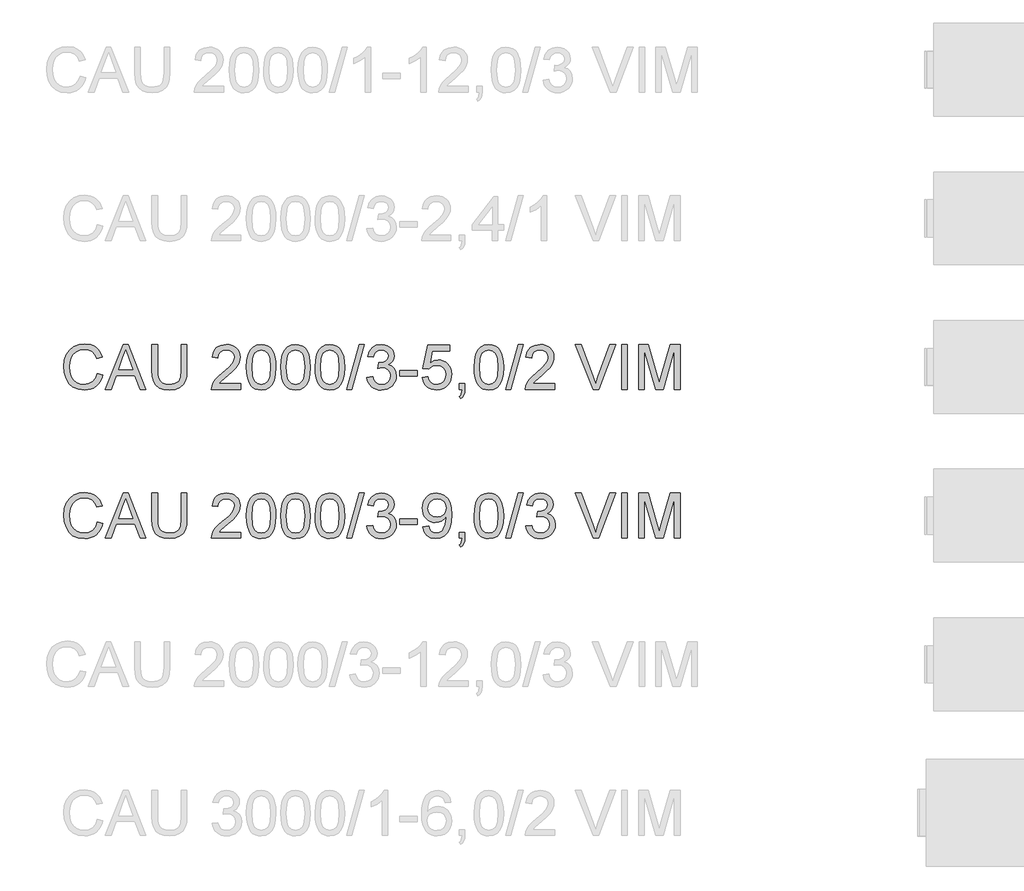
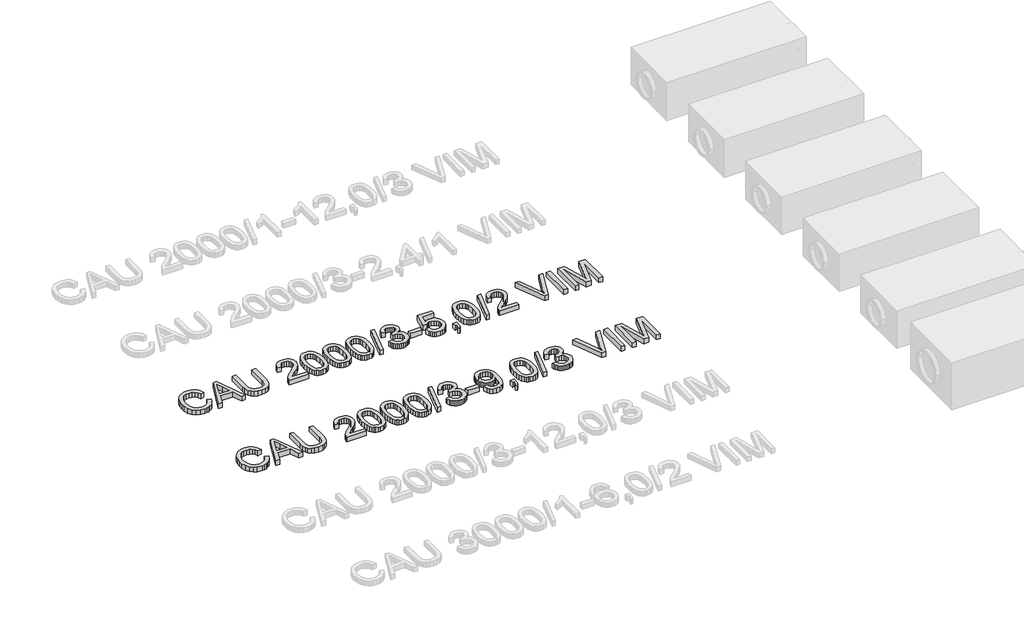
# One storey, part 58 of 74: 2 proxies.
"""IFC4 building model written with IfcOpenShell, lengths in millimetres."""

from ifc_helpers import new_model, si_unit, origin, origin_with_axes, place, context, project, spatial, polyline, outline, extrude, element, save

model = new_model("IFC4")

# Units and contexts
model_context = context("Model", 3, world=origin())
ifc_project = project(units=[si_unit("LENGTHUNIT", "METRE", prefix="MILLI")], contexts=[model_context])

# Site, building, storey
site = spatial("IfcSite", under=ifc_project)
building = spatial("IfcBuilding", under=site)
storey = spatial("IfcBuildingStorey", under=building, Elevation=0.0)

# Proxies
placement = place(None, origin())
element("IfcBuildingElementProxy", 1, Name="Generic Models", at=placement, inside=storey, context=model_context, shape_type="SweptSolid", body=[
    extrude(outline(polyline([(34655.0606318, -8799.1632103), (34692.7317481, -8808.875295), (34685.2775392, -8832.3024803), (34675.3493239, -8852.7728141), (34662.9471021, -8870.2862963), (34648.0708739, -8884.842927), (34631.0563316, -8896.2863563), (34612.2391676, -8904.4602344), (34591.6193818, -8909.3645613), (34569.1969742, -8910.9993369), (34525.5017902, -8906.051324), (34490.801321, -8891.2072855), (34464.2034527, -8866.9822562), (34444.8160716, -8833.8912707), (34432.9794684, -8794.9877497), (34429.033934, -8753.3251137), (34433.4945032, -8709.3816094), (34446.8762108, -8671.4345816), (34468.4800809, -8640.6888439), (34497.6071379, -8618.3492097), (34532.1512572, -8604.7467729), (34570.0063145, -8600.2126274), (34611.3102656, -8606.0803452), (34629.2790018, -8613.4149925), (34645.4589118, -8623.6834986), (34659.5832811, -8636.6145508), (34671.3853954, -8651.9368359), (34688.0228586, -8689.755105), (34650.3517423, -8698.7314257), (34637.2919315, -8671.2598377), (34619.4496547, -8652.4150825), (34596.6041828, -8641.5165784), (34568.5347866, -8637.8837437), (34536.1795651, -8641.9120515), (34509.6000909, -8653.996975), (34489.4309606, -8672.8693214), (34476.3067704, -8697.2598977), (34469.1054803, -8724.8326532), (34466.7050503, -8753.2515373), (34469.5469387, -8788.0531741), (34478.072604, -8818.1459213), (34492.6039428, -8842.3801477), (34513.4628519, -8859.6062222), (34538.4696305, -8869.897721), (34565.4445778, -8873.3282206), (34596.8892913, -8868.6561192), (34623.0916864, -8854.6398152), (34642.8745407, -8831.4264613), (34655.0606318, -8799.1632103)])), origin_with_axes(), (0.0, 0.0, 1.0), 50.0),
    extrude(outline(polyline([(34709.4335907, -8906.2904473), (34829.7310031, -8604.9215169), (34861.8103131, -8604.9215169), (34982.1077255, -8906.2904473), (34942.3028937, -8906.2904473), (34907.7955625, -8812.1126566), (34783.6721773, -8812.1126566), (34749.2384226, -8906.2904473), (34709.4335907, -8906.2904473)]), holes=[polyline([(34797.5045404, -8774.4415403), (34894.0367759, -8774.4415403), (34866.8870847, -8700.3501064), (34845.7706581, -8642.5926332), (34827.0086764, -8693.8753833), (34797.5045404, -8774.4415403)])]), origin_with_axes(), (0.0, 0.0, 1.0), 50.0),
    extrude(outline(polyline([(35220.1273764, -8604.9215169), (35257.7984927, -8604.9215169), (35257.7984927, -8778.7825478), (35255.2417129, -8819.4978876), (35247.5713733, -8850.8506307), (35233.2423696, -8875.0388719), (35210.7095973, -8894.2607061), (35179.9178743, -8906.8146792), (35140.8120183, -8910.9993369), (35102.5614878, -8907.3573051), (35071.981297, -8896.4312099), (35049.0622487, -8878.5981302), (35033.7951459, -8854.235145), (35025.2142983, -8821.5580268), (35022.3540158, -8778.7825478), (35022.3540158, -8604.9215169), (35060.0251321, -8604.9215169), (35060.0251321, -8777.4581726), (35061.8829362, -8811.3125132), (35067.4563484, -8834.8845521), (35077.5547092, -8851.2093156), (35092.9873589, -8863.3218303), (35113.110504, -8870.826623), (35137.2803511, -8873.3282206), (35175.5952609, -8868.3802077), (35189.9380602, -8862.1951917), (35201.0710891, -8853.5361692), (35209.4082148, -8841.3592752), (35215.3633046, -8824.6206444), (35220.1273764, -8777.4581726), (35220.1273764, -8604.9215169)])), origin_with_axes(), (0.0, 0.0, 1.0), 50.0),
    extrude(outline(polyline([(35620.3829872, -8868.619331), (35620.3829872, -8906.2904473), (35422.6096266, -8906.2904473), (35426.6563285, -8880.3179785), (35435.9453489, -8860.0200894), (35449.5385886, -8840.3292056), (35469.2018813, -8819.7186168), (35496.7010604, -8796.6616128), (35537.3520209, -8760.553995), (35561.7425971, -8733.9009444), (35573.9378853, -8712.2694831), (35578.0029813, -8691.226633), (35574.1678115, -8672.3634837), (35562.6623021, -8656.6825136), (35544.9763752, -8646.1151033), (35522.5999529, -8642.5926332), (35499.1014904, -8646.0323299), (35480.8453464, -8656.3514198), (35469.0639255, -8672.7405627), (35464.9896324, -8694.3904181), (35427.3185161, -8689.6815286), (35436.4511866, -8653.242817), (35444.9975452, -8638.7068796), (35456.1972527, -8626.6265546), (35469.7927917, -8617.1306006), (35485.5266448, -8610.3477763), (35523.4092932, -8604.9215169), (35543.599117, -8606.4298331), (35561.5678532, -8610.9547816), (35577.3155019, -8618.4963625), (35590.842063, -8629.0545758), (35601.7060781, -8641.8476722), (35609.466089, -8656.0939024), (35614.1220955, -8671.7932666), (35615.6740976, -8688.9457646), (35614.0002346, -8706.9627853), (35608.9786453, -8724.6671063), (35600.066704, -8742.67493), (35586.7217846, -8761.6024586), (35565.4490082, -8784.1996102), (35532.7534959, -8813.2163026), (35489.4169969, -8849.4526791), (35472.4208487, -8868.619331), (35620.3829872, -8868.619331)])), origin_with_axes(), (0.0, 0.0, 1.0), 50.0),
    extrude(outline(polyline([(35658.0541035, -8758.0340033), (35660.8224155, -8709.7954767), (35669.1273515, -8671.324217), (35682.8861382, -8642.0316132), (35702.0160019, -8621.3290539), (35726.6548985, -8609.0234011), (35756.9407838, -8604.9215169), (35780.1541377, -8607.3495381), (35800.9394704, -8614.6336016), (35818.3218947, -8626.4885989), (35831.3265232, -8642.6294214), (35841.1489725, -8662.9181134), (35848.984859, -8687.2167192), (35854.1168128, -8718.0728216), (35855.8274641, -8758.0340033), (35853.0867432, -8805.9966184), (35844.8645806, -8844.3759076), (35831.1885675, -8873.6961026), (35812.0862949, -8894.4814353), (35787.3922159, -8906.8698615), (35756.9407838, -8910.9993369), (35736.1922393, -8909.2059122), (35717.7981395, -8903.825638), (35701.7584845, -8894.8585143), (35688.0732743, -8882.3045413), (35674.9398871, -8859.6108207), (35665.5588962, -8831.3344908), (35659.9303017, -8797.4755517), (35658.0541035, -8758.0340033)]), holes=[polyline([(35695.7252198, -8757.9604269), (35700.1398037, -8817.2170193), (35705.6580337, -8837.4850179), (35713.3835556, -8851.5128183), (35733.1020305, -8867.87437), (35756.9407838, -8873.3282206), (35780.7795371, -8867.8559759), (35800.498012, -8851.4392419), (35808.2235339, -8837.3884489), (35813.7417638, -8817.1250488), (35818.1563478, -8757.9604269), (35813.8889166, -8700.0374067), (35808.5546277, -8679.8360867), (35801.0866232, -8665.4748933), (35781.4049365, -8648.3131982), (35756.4993254, -8642.5926332), (35732.9180895, -8647.6326165), (35713.9721667, -8662.7525665), (35705.9891275, -8678.3875513), (35700.2869565, -8699.4671897), (35695.7252198, -8757.9604269)])]), origin_with_axes(), (0.0, 0.0, 1.0), 50.0),
    extrude(outline(polyline([(35888.7896909, -8758.0340033), (35891.5580029, -8709.7954767), (35899.8629389, -8671.324217), (35913.6217255, -8642.0316132), (35932.7515893, -8621.3290539), (35957.3904859, -8609.0234011), (35987.6763712, -8604.9215169), (36010.8897251, -8607.3495381), (36031.6750578, -8614.6336016), (36049.0574821, -8626.4885989), (36062.0621106, -8642.6294214), (36071.8845599, -8662.9181134), (36079.7204464, -8687.2167192), (36084.8524002, -8718.0728216), (36086.5630515, -8758.0340033), (36083.8223306, -8805.9966184), (36075.600168, -8844.3759076), (36061.9241548, -8873.6961026), (36042.8218822, -8894.4814353), (36018.1278033, -8906.8698615), (35987.6763712, -8910.9993369), (35966.9278266, -8909.2059122), (35948.5337269, -8903.825638), (35932.4940719, -8894.8585143), (35918.8088617, -8882.3045413), (35905.6754744, -8859.6108207), (35896.2944836, -8831.3344908), (35890.665889, -8797.4755517), (35888.7896909, -8758.0340033)]), holes=[polyline([(35926.4608072, -8757.9604269), (35930.8753911, -8817.2170193), (35936.393621, -8837.4850179), (35944.1191429, -8851.5128183), (35963.8376179, -8867.87437), (35987.6763712, -8873.3282206), (36011.5151244, -8867.8559759), (36031.2335994, -8851.4392419), (36038.9591213, -8837.3884489), (36044.4773512, -8817.1250488), (36048.8919352, -8757.9604269), (36044.624504, -8700.0374067), (36039.2902151, -8679.8360867), (36031.8222106, -8665.4748933), (36012.1405238, -8648.3131982), (35987.2349128, -8642.5926332), (35963.6536769, -8647.6326165), (35944.7077541, -8662.7525665), (35936.7247148, -8678.3875513), (35931.0225439, -8699.4671897), (35926.4608072, -8757.9604269)])]), origin_with_axes(), (0.0, 0.0, 1.0), 50.0),
    extrude(outline(polyline([(36119.5252782, -8758.0340033), (36122.2935902, -8709.7954767), (36130.5985263, -8671.324217), (36144.3573129, -8642.0316132), (36163.4871767, -8621.3290539), (36188.1260733, -8609.0234011), (36218.4119585, -8604.9215169), (36241.6253124, -8607.3495381), (36262.4106452, -8614.6336016), (36279.7930694, -8626.4885989), (36292.797698, -8642.6294214), (36302.6201472, -8662.9181134), (36310.4560337, -8687.2167192), (36315.5879876, -8718.0728216), (36317.2986388, -8758.0340033), (36314.557918, -8805.9966184), (36306.3357554, -8844.3759076), (36292.6597422, -8873.6961026), (36273.5574696, -8894.4814353), (36248.8633907, -8906.8698615), (36218.4119585, -8910.9993369), (36197.663414, -8909.2059122), (36179.2693142, -8903.825638), (36163.2296593, -8894.8585143), (36149.544449, -8882.3045413), (36136.4110618, -8859.6108207), (36127.0300709, -8831.3344908), (36121.4014764, -8797.4755517), (36119.5252782, -8758.0340033)]), holes=[polyline([(36157.1963945, -8757.9604269), (36161.6109785, -8817.2170193), (36167.1292084, -8837.4850179), (36174.8547303, -8851.5128183), (36194.5732052, -8867.87437), (36218.4119585, -8873.3282206), (36242.2507118, -8867.8559759), (36261.9691868, -8851.4392419), (36269.6947087, -8837.3884489), (36275.2129386, -8817.1250488), (36279.6275225, -8757.9604269), (36275.3600914, -8700.0374067), (36270.0258025, -8679.8360867), (36262.557798, -8665.4748933), (36242.8761112, -8648.3131982), (36217.9705001, -8642.5926332), (36194.3892642, -8647.6326165), (36175.4433415, -8662.7525665), (36167.4603022, -8678.3875513), (36161.7581313, -8699.4671897), (36157.1963945, -8757.9604269)])]), origin_with_axes(), (0.0, 0.0, 1.0), 50.0),
    extrude(outline(polyline([(36331.4253075, -8906.2904473), (36416.1853191, -8604.9215169), (36450.1776155, -8604.9215169), (36365.4176038, -8906.2904473), (36331.4253075, -8906.2904473)])), origin_with_axes(), (0.0, 0.0, 1.0), 50.0),
    extrude(outline(polyline([(36467.9831041, -8826.2393252), (36505.6542204, -8821.5304357), (36514.0879151, -8845.203642), (36526.4395531, -8861.1881147), (36543.3161396, -8870.2931941), (36565.32468, -8873.3282206), (36591.149996, -8869.1527599), (36611.0892002, -8856.626378), (36623.8363113, -8837.9379726), (36628.0853484, -8815.2764417), (36623.8730995, -8793.7645421), (36611.236353, -8776.3177384), (36592.1064892, -8764.7570467), (36568.4148887, -8760.9034828), (36542.0009615, -8765.0237612), (36546.1948162, -8727.3526449), (36552.228081, -8727.7941033), (36574.7976414, -8725.0901706), (36594.9759688, -8716.9783726), (36609.213002, -8703.2563742), (36613.9586797, -8683.7218403), (36610.5189831, -8667.452259), (36600.1998931, -8654.2544924), (36584.4545437, -8645.508098), (36564.7360688, -8642.5926332), (36544.9808057, -8645.5356892), (36528.8307861, -8654.364857), (36517.0401681, -8669.0801369), (36510.3631099, -8689.6815286), (36472.6919936, -8684.972639), (36483.7836358, -8651.1458896), (36503.5205048, -8625.8907906), (36530.5230432, -8610.1638353), (36563.4116936, -8604.9215169), (36587.0940971, -8607.5058879), (36608.84512, -8615.259001), (36627.1840375, -8627.4910773), (36640.6301244, -8643.5123382), (36648.8798781, -8661.9708173), (36651.6297961, -8681.5145483), (36649.0178339, -8699.724707), (36641.1819474, -8716.2426086), (36628.2325012, -8730.3140949), (36610.2798598, -8741.1850079), (36633.8610957, -8750.7131516), (36651.3354905, -8766.9367476), (36662.1512211, -8788.9728791), (36665.7564647, -8815.9386293), (36663.9538429, -8835.050099), (36658.5459776, -8852.6532524), (36649.5328687, -8868.7480897), (36636.9145162, -8883.3346108), (36621.5416474, -8895.4379285), (36604.2649892, -8904.0831554), (36585.0845417, -8909.2702915), (36564.0003048, -8910.9993369), (36544.9440175, -8909.5232104), (36527.5799873, -8905.0948309), (36511.9082143, -8897.7141983), (36497.9286985, -8887.3813128), (36486.2070584, -8874.7031795), (36477.3089126, -8860.2868038), (36471.2342612, -8844.1321857), (36467.9831041, -8826.2393252)])), origin_with_axes(), (0.0, 0.0, 1.0), 50.0),
    extrude(outline(polyline([(36689.3009124, -8816.8215461), (36689.3009124, -8779.1504298), (36807.0231508, -8779.1504298), (36807.0231508, -8816.8215461), (36689.3009124, -8816.8215461)])), origin_with_axes(), (0.0, 0.0, 1.0), 50.0),
    extrude(outline(polyline([(36839.9853776, -8826.2393252), (36877.6564939, -8821.5304357), (36884.5726754, -8844.1459813), (36896.6392048, -8860.3419861), (36913.8008999, -8870.081662), (36936.0025783, -8873.3282206), (36963.0051168, -8868.8124691), (36983.2386265, -8855.2652146), (36995.875373, -8834.2499556), (37000.0876219, -8807.3301906), (36996.1420875, -8781.9831212), (36984.3054843, -8762.59574), (36964.4858418, -8750.2900873), (36936.5911895, -8746.188203), (36918.3166514, -8747.8252779), (36903.5185982, -8752.7365026), (36882.3653834, -8769.7326507), (36844.6942671, -8765.0237612), (36877.6564939, -8609.6304064), (37023.6320696, -8609.6304064), (37023.6320696, -8647.3015227), (36908.1171231, -8647.3015227), (36892.0038917, -8730.2957008), (36918.9144596, -8713.9617403), (36947.1126146, -8708.5170867), (36965.4584298, -8710.2047454), (36982.3097245, -8715.2677213), (36997.6664985, -8723.7060146), (37011.5287519, -8735.5196252), (37023.0043709, -8749.9865846), (37031.2012416, -8766.3849246), (37036.1193641, -8784.714645), (37037.7587382, -8804.9757459), (37031.8542322, -8842.6468622), (37024.4735996, -8859.4406753), (37014.1407141, -8874.873325), (36998.4873352, -8890.6784552), (36980.2219941, -8901.9678339), (36959.3446909, -8908.7414611), (36935.8554255, -8910.9993369), (36898.8556939, -8905.1959984), (36883.1770231, -8897.9418253), (36869.379149, -8887.785983), (36857.8989315, -8875.2343092), (36849.1732304, -8860.7926416), (36839.9853776, -8826.2393252)])), origin_with_axes(), (0.0, 0.0, 1.0), 50.0),
    extrude(outline(polyline([(37089.5565231, -8906.2904473), (37089.5565231, -8868.619331), (37127.2276394, -8868.619331), (37127.2276394, -8906.2904473), (37125.5353822, -8927.8391352), (37120.4586107, -8944.8076922), (37111.7030192, -8957.8215178), (37098.9743022, -8967.5060113), (37089.5565231, -8953.3793427), (37097.7235034, -8946.5551317), (37103.3888861, -8937.1189585), (37108.3185049, -8906.2904473), (37089.5565231, -8906.2904473)])), origin_with_axes(), (0.0, 0.0, 1.0), 50.0),
    extrude(outline(polyline([(37188.4432034, -8758.0340033), (37191.2115154, -8709.7954767), (37199.5164515, -8671.324217), (37213.2752381, -8642.0316132), (37232.4051018, -8621.3290539), (37257.0439985, -8609.0234011), (37287.3298837, -8604.9215169), (37310.5432376, -8607.3495381), (37331.3285703, -8614.6336016), (37348.7109946, -8626.4885989), (37361.7156231, -8642.6294214), (37371.5380724, -8662.9181134), (37379.3739589, -8687.2167192), (37384.5059127, -8718.0728216), (37386.216564, -8758.0340033), (37383.4758432, -8805.9966184), (37375.2536806, -8844.3759076), (37361.5776674, -8873.6961026), (37342.4753948, -8894.4814353), (37317.7813159, -8906.8698615), (37287.3298837, -8910.9993369), (37266.5813392, -8909.2059122), (37248.1872394, -8903.825638), (37232.1475844, -8894.8585143), (37218.4623742, -8882.3045413), (37205.328987, -8859.6108207), (37195.9479961, -8831.3344908), (37190.3194016, -8797.4755517), (37188.4432034, -8758.0340033)]), holes=[polyline([(37226.1143197, -8757.9604269), (37230.5289037, -8817.2170193), (37236.0471336, -8837.4850179), (37243.7726555, -8851.5128183), (37263.4911304, -8867.87437), (37287.3298837, -8873.3282206), (37311.168637, -8867.8559759), (37330.8871119, -8851.4392419), (37338.6126338, -8837.3884489), (37344.1308638, -8817.1250488), (37348.5454477, -8757.9604269), (37344.2780166, -8700.0374067), (37338.9437276, -8679.8360867), (37331.4757231, -8665.4748933), (37311.7940364, -8648.3131982), (37286.8884253, -8642.5926332), (37263.3071894, -8647.6326165), (37244.3612667, -8662.7525665), (37236.3782274, -8678.3875513), (37230.6760565, -8699.4671897), (37226.1143197, -8757.9604269)])]), origin_with_axes(), (0.0, 0.0, 1.0), 50.0),
    extrude(outline(polyline([(37400.3432326, -8906.2904473), (37485.1032443, -8604.9215169), (37519.0955407, -8604.9215169), (37434.335529, -8906.2904473), (37400.3432326, -8906.2904473)])), origin_with_axes(), (0.0, 0.0, 1.0), 50.0),
    extrude(outline(polyline([(37729.9655003, -8868.619331), (37729.9655003, -8906.2904473), (37532.1921397, -8906.2904473), (37536.2388417, -8880.3179785), (37545.527862, -8860.0200894), (37559.1211018, -8840.3292056), (37578.7843944, -8819.7186168), (37606.2835735, -8796.6616128), (37646.934534, -8760.553995), (37671.3251103, -8733.9009444), (37683.5203984, -8712.2694831), (37687.5854945, -8691.226633), (37683.7503247, -8672.3634837), (37672.2448153, -8656.6825136), (37654.5588884, -8646.1151033), (37632.182466, -8642.5926332), (37608.6840036, -8646.0323299), (37590.4278595, -8656.3514198), (37578.6464387, -8672.7405627), (37574.5721456, -8694.3904181), (37536.9010292, -8689.6815286), (37546.0336998, -8653.242817), (37554.5800584, -8638.7068796), (37565.7797659, -8626.6265546), (37579.3753049, -8617.1306006), (37595.1091579, -8610.3477763), (37632.9918064, -8604.9215169), (37653.1816301, -8606.4298331), (37671.1503663, -8610.9547816), (37686.898015, -8618.4963625), (37700.4245761, -8629.0545758), (37711.2885913, -8641.8476722), (37719.0486021, -8656.0939024), (37723.7046086, -8671.7932666), (37725.2566108, -8688.9457646), (37723.5827477, -8706.9627853), (37718.5611585, -8724.6671063), (37709.6492171, -8742.67493), (37696.3042978, -8761.6024586), (37675.0315214, -8784.1996102), (37642.3360091, -8813.2163026), (37598.99951, -8849.4526791), (37582.0033619, -8868.619331), (37729.9655003, -8868.619331)])), origin_with_axes(), (0.0, 0.0, 1.0), 50.0),
    extrude(outline(polyline([(37988.5129665, -8906.2904473), (37868.5834361, -8604.9215169), (37908.9033028, -8604.9215169), (37989.1751541, -8822.0454704), (38005.4355383, -8870.9737758), (38021.4751933, -8822.0454704), (38101.9677738, -8604.9215169), (38142.2876405, -8604.9215169), (38027.4348816, -8906.2904473), (37988.5129665, -8906.2904473)])), origin_with_axes(), (0.0, 0.0, 1.0), 50.0),
    extrude(outline(polyline([(38182.018896, -8906.2904473), (38182.018896, -8604.9215169), (38219.6900123, -8604.9215169), (38219.6900123, -8906.2904473), (38182.018896, -8906.2904473)])), origin_with_axes(), (0.0, 0.0, 1.0), 50.0),
    extrude(outline(polyline([(38295.0322449, -8906.2904473), (38295.0322449, -8604.9215169), (38359.8530525, -8604.9215169), (38421.5100748, -8817.3365809), (38433.9444863, -8861.7031495), (38447.4089673, -8813.657761), (38508.0359201, -8604.9215169), (38572.8567277, -8604.9215169), (38572.8567277, -8906.2904473), (38535.1856114, -8906.2904473), (38535.1856114, -8642.5926332), (38459.4754968, -8906.2904473), (38408.4134758, -8906.2904473), (38332.7033612, -8642.5926332), (38332.7033612, -8906.2904473), (38295.0322449, -8906.2904473)])), origin_with_axes(), (0.0, 0.0, 1.0), 50.0),
])
element("IfcBuildingElementProxy", 2, Name="Generic Models", at=placement, inside=storey, context=model_context, shape_type="SweptSolid", body=[
    extrude(outline(polyline([(34655.0606318, -9799.1632103), (34692.7317481, -9808.875295), (34685.2775392, -9832.3024803), (34675.3493239, -9852.7728141), (34662.9471021, -9870.2862963), (34648.0708739, -9884.842927), (34631.0563316, -9896.2863563), (34612.2391676, -9904.4602344), (34591.6193818, -9909.3645613), (34569.1969742, -9910.9993369), (34525.5017902, -9906.051324), (34490.801321, -9891.2072855), (34464.2034527, -9866.9822562), (34444.8160716, -9833.8912707), (34432.9794684, -9794.9877497), (34429.033934, -9753.3251137), (34433.4945032, -9709.3816094), (34446.8762108, -9671.4345816), (34468.4800809, -9640.6888439), (34497.6071379, -9618.3492097), (34532.1512572, -9604.7467729), (34570.0063145, -9600.2126274), (34611.3102656, -9606.0803452), (34629.2790018, -9613.4149925), (34645.4589118, -9623.6834986), (34659.5832811, -9636.6145508), (34671.3853954, -9651.9368359), (34688.0228586, -9689.755105), (34650.3517423, -9698.7314257), (34637.2919315, -9671.2598377), (34619.4496547, -9652.4150825), (34596.6041828, -9641.5165784), (34568.5347866, -9637.8837437), (34536.1795651, -9641.9120515), (34509.6000909, -9653.996975), (34489.4309606, -9672.8693214), (34476.3067704, -9697.2598977), (34469.1054803, -9724.8326532), (34466.7050503, -9753.2515373), (34469.5469387, -9788.0531741), (34478.072604, -9818.1459213), (34492.6039428, -9842.3801477), (34513.4628519, -9859.6062222), (34538.4696305, -9869.897721), (34565.4445778, -9873.3282206), (34596.8892913, -9868.6561192), (34623.0916864, -9854.6398152), (34642.8745407, -9831.4264613), (34655.0606318, -9799.1632103)])), origin_with_axes(), (0.0, 0.0, 1.0), 50.0),
    extrude(outline(polyline([(34709.4335907, -9906.2904473), (34829.7310031, -9604.9215169), (34861.8103131, -9604.9215169), (34982.1077255, -9906.2904473), (34942.3028937, -9906.2904473), (34907.7955625, -9812.1126566), (34783.6721773, -9812.1126566), (34749.2384226, -9906.2904473), (34709.4335907, -9906.2904473)]), holes=[polyline([(34797.5045404, -9774.4415403), (34894.0367759, -9774.4415403), (34866.8870847, -9700.3501064), (34845.7706581, -9642.5926332), (34827.0086764, -9693.8753833), (34797.5045404, -9774.4415403)])]), origin_with_axes(), (0.0, 0.0, 1.0), 50.0),
    extrude(outline(polyline([(35220.1273764, -9604.9215169), (35257.7984927, -9604.9215169), (35257.7984927, -9778.7825478), (35255.2417129, -9819.4978876), (35247.5713733, -9850.8506307), (35233.2423696, -9875.0388719), (35210.7095973, -9894.2607061), (35179.9178743, -9906.8146792), (35140.8120183, -9910.9993369), (35102.5614878, -9907.3573051), (35071.981297, -9896.4312099), (35049.0622487, -9878.5981302), (35033.7951459, -9854.235145), (35025.2142983, -9821.5580268), (35022.3540158, -9778.7825478), (35022.3540158, -9604.9215169), (35060.0251321, -9604.9215169), (35060.0251321, -9777.4581726), (35061.8829362, -9811.3125132), (35067.4563484, -9834.8845521), (35077.5547092, -9851.2093156), (35092.9873589, -9863.3218303), (35113.110504, -9870.826623), (35137.2803511, -9873.3282206), (35175.5952609, -9868.3802077), (35189.9380602, -9862.1951917), (35201.0710891, -9853.5361692), (35209.4082148, -9841.3592752), (35215.3633046, -9824.6206444), (35220.1273764, -9777.4581726), (35220.1273764, -9604.9215169)])), origin_with_axes(), (0.0, 0.0, 1.0), 50.0),
    extrude(outline(polyline([(35620.3829872, -9868.619331), (35620.3829872, -9906.2904473), (35422.6096266, -9906.2904473), (35426.6563285, -9880.3179785), (35435.9453489, -9860.0200894), (35449.5385886, -9840.3292056), (35469.2018813, -9819.7186168), (35496.7010604, -9796.6616128), (35537.3520209, -9760.553995), (35561.7425971, -9733.9009444), (35573.9378853, -9712.2694831), (35578.0029813, -9691.226633), (35574.1678115, -9672.3634837), (35562.6623021, -9656.6825136), (35544.9763752, -9646.1151033), (35522.5999529, -9642.5926332), (35499.1014904, -9646.0323299), (35480.8453464, -9656.3514198), (35469.0639255, -9672.7405627), (35464.9896324, -9694.3904181), (35427.3185161, -9689.6815286), (35436.4511866, -9653.242817), (35444.9975452, -9638.7068796), (35456.1972527, -9626.6265546), (35469.7927917, -9617.1306006), (35485.5266448, -9610.3477763), (35523.4092932, -9604.9215169), (35543.599117, -9606.4298331), (35561.5678532, -9610.9547816), (35577.3155019, -9618.4963625), (35590.842063, -9629.0545758), (35601.7060781, -9641.8476722), (35609.466089, -9656.0939024), (35614.1220955, -9671.7932666), (35615.6740976, -9688.9457646), (35614.0002346, -9706.9627853), (35608.9786453, -9724.6671063), (35600.066704, -9742.67493), (35586.7217846, -9761.6024586), (35565.4490082, -9784.1996102), (35532.7534959, -9813.2163026), (35489.4169969, -9849.4526791), (35472.4208487, -9868.619331), (35620.3829872, -9868.619331)])), origin_with_axes(), (0.0, 0.0, 1.0), 50.0),
    extrude(outline(polyline([(35658.0541035, -9758.0340033), (35660.8224155, -9709.7954767), (35669.1273515, -9671.324217), (35682.8861382, -9642.0316132), (35702.0160019, -9621.3290539), (35726.6548985, -9609.0234011), (35756.9407838, -9604.9215169), (35780.1541377, -9607.3495381), (35800.9394704, -9614.6336016), (35818.3218947, -9626.4885989), (35831.3265232, -9642.6294214), (35841.1489725, -9662.9181134), (35848.984859, -9687.2167192), (35854.1168128, -9718.0728216), (35855.8274641, -9758.0340033), (35853.0867432, -9805.9966184), (35844.8645806, -9844.3759076), (35831.1885675, -9873.6961026), (35812.0862949, -9894.4814353), (35787.3922159, -9906.8698615), (35756.9407838, -9910.9993369), (35736.1922393, -9909.2059122), (35717.7981395, -9903.825638), (35701.7584845, -9894.8585143), (35688.0732743, -9882.3045413), (35674.9398871, -9859.6108207), (35665.5588962, -9831.3344908), (35659.9303017, -9797.4755517), (35658.0541035, -9758.0340033)]), holes=[polyline([(35695.7252198, -9757.9604269), (35700.1398037, -9817.2170193), (35705.6580337, -9837.4850179), (35713.3835556, -9851.5128183), (35733.1020305, -9867.87437), (35756.9407838, -9873.3282206), (35780.7795371, -9867.8559759), (35800.498012, -9851.4392419), (35808.2235339, -9837.3884489), (35813.7417638, -9817.1250488), (35818.1563478, -9757.9604269), (35813.8889166, -9700.0374067), (35808.5546277, -9679.8360867), (35801.0866232, -9665.4748933), (35781.4049365, -9648.3131982), (35756.4993254, -9642.5926332), (35732.9180895, -9647.6326165), (35713.9721667, -9662.7525665), (35705.9891275, -9678.3875513), (35700.2869565, -9699.4671897), (35695.7252198, -9757.9604269)])]), origin_with_axes(), (0.0, 0.0, 1.0), 50.0),
    extrude(outline(polyline([(35888.7896909, -9758.0340033), (35891.5580029, -9709.7954767), (35899.8629389, -9671.324217), (35913.6217255, -9642.0316132), (35932.7515893, -9621.3290539), (35957.3904859, -9609.0234011), (35987.6763712, -9604.9215169), (36010.8897251, -9607.3495381), (36031.6750578, -9614.6336016), (36049.0574821, -9626.4885989), (36062.0621106, -9642.6294214), (36071.8845599, -9662.9181134), (36079.7204464, -9687.2167192), (36084.8524002, -9718.0728216), (36086.5630515, -9758.0340033), (36083.8223306, -9805.9966184), (36075.600168, -9844.3759076), (36061.9241548, -9873.6961026), (36042.8218822, -9894.4814353), (36018.1278033, -9906.8698615), (35987.6763712, -9910.9993369), (35966.9278266, -9909.2059122), (35948.5337269, -9903.825638), (35932.4940719, -9894.8585143), (35918.8088617, -9882.3045413), (35905.6754744, -9859.6108207), (35896.2944836, -9831.3344908), (35890.665889, -9797.4755517), (35888.7896909, -9758.0340033)]), holes=[polyline([(35926.4608072, -9757.9604269), (35930.8753911, -9817.2170193), (35936.393621, -9837.4850179), (35944.1191429, -9851.5128183), (35963.8376179, -9867.87437), (35987.6763712, -9873.3282206), (36011.5151244, -9867.8559759), (36031.2335994, -9851.4392419), (36038.9591213, -9837.3884489), (36044.4773512, -9817.1250488), (36048.8919352, -9757.9604269), (36044.624504, -9700.0374067), (36039.2902151, -9679.8360867), (36031.8222106, -9665.4748933), (36012.1405238, -9648.3131982), (35987.2349128, -9642.5926332), (35963.6536769, -9647.6326165), (35944.7077541, -9662.7525665), (35936.7247148, -9678.3875513), (35931.0225439, -9699.4671897), (35926.4608072, -9757.9604269)])]), origin_with_axes(), (0.0, 0.0, 1.0), 50.0),
    extrude(outline(polyline([(36119.5252782, -9758.0340033), (36122.2935902, -9709.7954767), (36130.5985263, -9671.324217), (36144.3573129, -9642.0316132), (36163.4871767, -9621.3290539), (36188.1260733, -9609.0234011), (36218.4119585, -9604.9215169), (36241.6253124, -9607.3495381), (36262.4106452, -9614.6336016), (36279.7930694, -9626.4885989), (36292.797698, -9642.6294214), (36302.6201472, -9662.9181134), (36310.4560337, -9687.2167192), (36315.5879876, -9718.0728216), (36317.2986388, -9758.0340033), (36314.557918, -9805.9966184), (36306.3357554, -9844.3759076), (36292.6597422, -9873.6961026), (36273.5574696, -9894.4814353), (36248.8633907, -9906.8698615), (36218.4119585, -9910.9993369), (36197.663414, -9909.2059122), (36179.2693142, -9903.825638), (36163.2296593, -9894.8585143), (36149.544449, -9882.3045413), (36136.4110618, -9859.6108207), (36127.0300709, -9831.3344908), (36121.4014764, -9797.4755517), (36119.5252782, -9758.0340033)]), holes=[polyline([(36157.1963945, -9757.9604269), (36161.6109785, -9817.2170193), (36167.1292084, -9837.4850179), (36174.8547303, -9851.5128183), (36194.5732052, -9867.87437), (36218.4119585, -9873.3282206), (36242.2507118, -9867.8559759), (36261.9691868, -9851.4392419), (36269.6947087, -9837.3884489), (36275.2129386, -9817.1250488), (36279.6275225, -9757.9604269), (36275.3600914, -9700.0374067), (36270.0258025, -9679.8360867), (36262.557798, -9665.4748933), (36242.8761112, -9648.3131982), (36217.9705001, -9642.5926332), (36194.3892642, -9647.6326165), (36175.4433415, -9662.7525665), (36167.4603022, -9678.3875513), (36161.7581313, -9699.4671897), (36157.1963945, -9757.9604269)])]), origin_with_axes(), (0.0, 0.0, 1.0), 50.0),
    extrude(outline(polyline([(36331.4253075, -9906.2904473), (36416.1853191, -9604.9215169), (36450.1776155, -9604.9215169), (36365.4176038, -9906.2904473), (36331.4253075, -9906.2904473)])), origin_with_axes(), (0.0, 0.0, 1.0), 50.0),
    extrude(outline(polyline([(36467.9831041, -9826.2393252), (36505.6542204, -9821.5304357), (36514.0879151, -9845.203642), (36526.4395531, -9861.1881147), (36543.3161396, -9870.2931941), (36565.32468, -9873.3282206), (36591.149996, -9869.1527599), (36611.0892002, -9856.626378), (36623.8363113, -9837.9379726), (36628.0853484, -9815.2764417), (36623.8730995, -9793.7645421), (36611.236353, -9776.3177384), (36592.1064892, -9764.7570467), (36568.4148887, -9760.9034828), (36542.0009615, -9765.0237612), (36546.1948162, -9727.3526449), (36552.228081, -9727.7941033), (36574.7976414, -9725.0901706), (36594.9759688, -9716.9783726), (36609.213002, -9703.2563742), (36613.9586797, -9683.7218403), (36610.5189831, -9667.452259), (36600.1998931, -9654.2544924), (36584.4545437, -9645.508098), (36564.7360688, -9642.5926332), (36544.9808057, -9645.5356892), (36528.8307861, -9654.364857), (36517.0401681, -9669.0801369), (36510.3631099, -9689.6815286), (36472.6919936, -9684.972639), (36483.7836358, -9651.1458896), (36503.5205048, -9625.8907906), (36530.5230432, -9610.1638353), (36563.4116936, -9604.9215169), (36587.0940971, -9607.5058879), (36608.84512, -9615.259001), (36627.1840375, -9627.4910773), (36640.6301244, -9643.5123382), (36648.8798781, -9661.9708173), (36651.6297961, -9681.5145483), (36649.0178339, -9699.724707), (36641.1819474, -9716.2426086), (36628.2325012, -9730.3140949), (36610.2798598, -9741.1850079), (36633.8610957, -9750.7131516), (36651.3354905, -9766.9367476), (36662.1512211, -9788.9728791), (36665.7564647, -9815.9386293), (36663.9538429, -9835.050099), (36658.5459776, -9852.6532524), (36649.5328687, -9868.7480897), (36636.9145162, -9883.3346108), (36621.5416474, -9895.4379285), (36604.2649892, -9904.0831554), (36585.0845417, -9909.2702915), (36564.0003048, -9910.9993369), (36544.9440175, -9909.5232104), (36527.5799873, -9905.0948309), (36511.9082143, -9897.7141983), (36497.9286985, -9887.3813128), (36486.2070584, -9874.7031795), (36477.3089126, -9860.2868038), (36471.2342612, -9844.1321857), (36467.9831041, -9826.2393252)])), origin_with_axes(), (0.0, 0.0, 1.0), 50.0),
    extrude(outline(polyline([(36689.3009124, -9816.8215461), (36689.3009124, -9779.1504298), (36807.0231508, -9779.1504298), (36807.0231508, -9816.8215461), (36689.3009124, -9816.8215461)])), origin_with_axes(), (0.0, 0.0, 1.0), 50.0),
    extrude(outline(polyline([(36844.6942671, -9830.9482147), (36882.3653834, -9826.2393252), (36888.8033183, -9847.6224662), (36899.2879552, -9862.1813961), (36913.5617766, -9870.5415145), (36931.3672652, -9873.3282206), (36947.3425408, -9871.5347958), (36961.8646826, -9866.1545217), (36973.931212, -9857.7760092), (36982.5396507, -9846.9878697), (36994.8636976, -9814.2463721), (37000.3083511, -9770.5419911), (37000.0876219, -9763.1843512), (36987.0370081, -9779.1136416), (36969.9580865, -9791.731994), (36950.0832617, -9799.9541566), (36928.6449384, -9802.6948775), (36910.7497786, -9801.0210144), (36894.2939571, -9795.9994252), (36879.2774739, -9787.6301098), (36865.700329, -9775.9130682), (36854.4500378, -9761.4599044), (36846.4141155, -9744.882222), (36841.5925621, -9726.180021), (36839.9853776, -9705.3533016), (36841.670737, -9683.8322049), (36846.7268151, -9664.5184001), (36855.1536121, -9647.4118873), (36866.9511278, -9632.5126665), (36881.2870293, -9620.4415386), (36897.3289836, -9611.8193043), (36915.0769906, -9606.6459637), (36934.5310503, -9604.9215169), (36962.6280377, -9608.8578542), (36988.2050334, -9620.6668663), (37009.5973715, -9639.7599418), (37025.1403858, -9665.5484697), (37034.6041501, -9701.196235), (37037.7587382, -9749.867023), (37034.6133471, -9801.4716699), (37025.177174, -9841.3592752), (37009.5329921, -9871.3324607), (36987.763575, -9893.1938483), (36960.8070219, -9906.5479647), (36929.6014316, -9910.9993369), (36897.3933629, -9905.7478214), (36871.6968056, -9889.993275), (36853.7257701, -9864.7289789), (36844.6942671, -9830.9482147)]), holes=[polyline([(37000.0876219, -9704.4703848), (36996.0225258, -9678.9393743), (36983.8272377, -9659.2944758), (36964.899709, -9646.7680938), (36940.6378915, -9642.5926332), (36915.474763, -9647.0899906), (36895.3148297, -9660.5820628), (36882.0710778, -9681.2294397), (36877.6564939, -9707.1927116), (36881.8319545, -9730.4704448), (36894.3583365, -9748.947318), (36914.0216291, -9761.0046504), (36939.6078219, -9765.0237612), (36963.6765014, -9761.0046504), (36983.0546855, -9748.947318), (36995.8293878, -9729.7898631), (37000.0876219, -9704.4703848)])]), origin_with_axes(), (0.0, 0.0, 1.0), 50.0),
    extrude(outline(polyline([(37089.5565231, -9906.2904473), (37089.5565231, -9868.619331), (37127.2276394, -9868.619331), (37127.2276394, -9906.2904473), (37125.5353822, -9927.8391352), (37120.4586107, -9944.8076922), (37111.7030192, -9957.8215178), (37098.9743022, -9967.5060113), (37089.5565231, -9953.3793427), (37097.7235034, -9946.5551317), (37103.3888861, -9937.1189585), (37108.3185049, -9906.2904473), (37089.5565231, -9906.2904473)])), origin_with_axes(), (0.0, 0.0, 1.0), 50.0),
    extrude(outline(polyline([(37188.4432034, -9758.0340033), (37191.2115154, -9709.7954767), (37199.5164515, -9671.324217), (37213.2752381, -9642.0316132), (37232.4051018, -9621.3290539), (37257.0439985, -9609.0234011), (37287.3298837, -9604.9215169), (37310.5432376, -9607.3495381), (37331.3285703, -9614.6336016), (37348.7109946, -9626.4885989), (37361.7156231, -9642.6294214), (37371.5380724, -9662.9181134), (37379.3739589, -9687.2167192), (37384.5059127, -9718.0728216), (37386.216564, -9758.0340033), (37383.4758432, -9805.9966184), (37375.2536806, -9844.3759076), (37361.5776674, -9873.6961026), (37342.4753948, -9894.4814353), (37317.7813159, -9906.8698615), (37287.3298837, -9910.9993369), (37266.5813392, -9909.2059122), (37248.1872394, -9903.825638), (37232.1475844, -9894.8585143), (37218.4623742, -9882.3045413), (37205.328987, -9859.6108207), (37195.9479961, -9831.3344908), (37190.3194016, -9797.4755517), (37188.4432034, -9758.0340033)]), holes=[polyline([(37226.1143197, -9757.9604269), (37230.5289037, -9817.2170193), (37236.0471336, -9837.4850179), (37243.7726555, -9851.5128183), (37263.4911304, -9867.87437), (37287.3298837, -9873.3282206), (37311.168637, -9867.8559759), (37330.8871119, -9851.4392419), (37338.6126338, -9837.3884489), (37344.1308638, -9817.1250488), (37348.5454477, -9757.9604269), (37344.2780166, -9700.0374067), (37338.9437276, -9679.8360867), (37331.4757231, -9665.4748933), (37311.7940364, -9648.3131982), (37286.8884253, -9642.5926332), (37263.3071894, -9647.6326165), (37244.3612667, -9662.7525665), (37236.3782274, -9678.3875513), (37230.6760565, -9699.4671897), (37226.1143197, -9757.9604269)])]), origin_with_axes(), (0.0, 0.0, 1.0), 50.0),
    extrude(outline(polyline([(37400.3432326, -9906.2904473), (37485.1032443, -9604.9215169), (37519.0955407, -9604.9215169), (37434.335529, -9906.2904473), (37400.3432326, -9906.2904473)])), origin_with_axes(), (0.0, 0.0, 1.0), 50.0),
    extrude(outline(polyline([(37536.9010292, -9826.2393252), (37574.5721456, -9821.5304357), (37583.0058403, -9845.203642), (37595.3574783, -9861.1881147), (37612.2340648, -9870.2931941), (37634.2426052, -9873.3282206), (37660.0679212, -9869.1527599), (37680.0071254, -9856.626378), (37692.7542365, -9837.9379726), (37697.0032735, -9815.2764417), (37692.7910247, -9793.7645421), (37680.1542782, -9776.3177384), (37661.0244144, -9764.7570467), (37637.3328139, -9760.9034828), (37610.9188867, -9765.0237612), (37615.1127414, -9727.3526449), (37621.1460061, -9727.7941033), (37643.7155665, -9725.0901706), (37663.893894, -9716.9783726), (37678.1309272, -9703.2563742), (37682.8766049, -9683.7218403), (37679.4369083, -9667.452259), (37669.1178183, -9654.2544924), (37653.3724689, -9645.508098), (37633.653994, -9642.5926332), (37613.8987308, -9645.5356892), (37597.7487112, -9654.364857), (37585.9580933, -9669.0801369), (37579.2810351, -9689.6815286), (37541.6099188, -9684.972639), (37552.7015609, -9651.1458896), (37572.43843, -9625.8907906), (37599.4409684, -9610.1638353), (37632.3296188, -9604.9215169), (37656.0120222, -9607.5058879), (37677.7630452, -9615.259001), (37696.1019627, -9627.4910773), (37709.5480496, -9643.5123382), (37717.7978033, -9661.9708173), (37720.5477212, -9681.5145483), (37717.9357591, -9699.724707), (37710.0998726, -9716.2426086), (37697.1504263, -9730.3140949), (37679.197785, -9741.1850079), (37702.7790209, -9750.7131516), (37720.2534156, -9766.9367476), (37731.0691463, -9788.9728791), (37734.6743899, -9815.9386293), (37732.8717681, -9835.050099), (37727.4639027, -9852.6532524), (37718.4507939, -9868.7480897), (37705.8324414, -9883.3346108), (37690.4595726, -9895.4379285), (37673.1829144, -9904.0831554), (37654.0024668, -9909.2702915), (37632.91823, -9910.9993369), (37613.8619426, -9909.5232104), (37596.4979125, -9905.0948309), (37580.8261395, -9897.7141983), (37566.8466237, -9887.3813128), (37555.1249836, -9874.7031795), (37546.2268378, -9860.2868038), (37540.1521864, -9844.1321857), (37536.9010292, -9826.2393252)])), origin_with_axes(), (0.0, 0.0, 1.0), 50.0),
    extrude(outline(polyline([(37988.5129665, -9906.2904473), (37868.5834361, -9604.9215169), (37908.9033028, -9604.9215169), (37989.1751541, -9822.0454704), (38005.4355383, -9870.9737758), (38021.4751933, -9822.0454704), (38101.9677738, -9604.9215169), (38142.2876405, -9604.9215169), (38027.4348816, -9906.2904473), (37988.5129665, -9906.2904473)])), origin_with_axes(), (0.0, 0.0, 1.0), 50.0),
    extrude(outline(polyline([(38182.018896, -9906.2904473), (38182.018896, -9604.9215169), (38219.6900123, -9604.9215169), (38219.6900123, -9906.2904473), (38182.018896, -9906.2904473)])), origin_with_axes(), (0.0, 0.0, 1.0), 50.0),
    extrude(outline(polyline([(38295.0322449, -9906.2904473), (38295.0322449, -9604.9215169), (38359.8530525, -9604.9215169), (38421.5100748, -9817.3365809), (38433.9444863, -9861.7031495), (38447.4089673, -9813.657761), (38508.0359201, -9604.9215169), (38572.8567277, -9604.9215169), (38572.8567277, -9906.2904473), (38535.1856114, -9906.2904473), (38535.1856114, -9642.5926332), (38459.4754968, -9906.2904473), (38408.4134758, -9906.2904473), (38332.7033612, -9642.5926332), (38332.7033612, -9906.2904473), (38295.0322449, -9906.2904473)])), origin_with_axes(), (0.0, 0.0, 1.0), 50.0),
])

save(model, "model.ifc")
